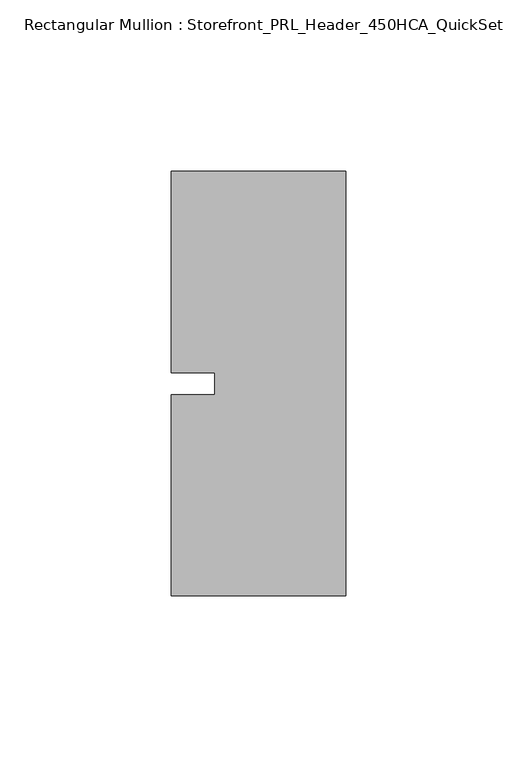
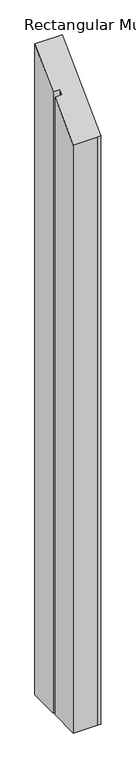
"""IFC4 building model written with IfcOpenShell, lengths in millimetres: member geometry, Rectangular Mullion : Storefront_PRL_Header_450HCA_QuickSet."""

from ifc_helpers import new_model, si_unit, origin, place, context, project, spatial, faceted_brep, source, transform, mapped, element, save


def rectangular_mullion_storefront_prl_header_450hca_quickset_bb877a43(model_context):
    return source(origin(), model_context, "Body", "Brep", [
        faceted_brep([(-38.1, -3.175, -1219.2), (-38.1, 3.175, -1219.2), (-50.8, 3.175, -1219.2), (-50.8, 61.9125, -1219.2), (-7.7254924, 61.9125, -1219.2), (0.0, 61.9125, -1219.2), (0.0, -61.9125, -1219.2), (-6.35, -61.9125, -1219.2), (-50.8, -61.9125, -1219.2), (-50.8, -3.175, -1219.2), (-50.8, -3.175, -3.175), (-38.1, -3.175, -3.175), (-50.8, -61.9125, -61.9125), (-6.35, -61.9125, -61.9125), (0.0, -61.9125, -61.9125), (0.0, 61.9125, 61.9125), (-7.7254924, 61.9125, 61.9125), (-50.8, 61.9125, 61.9125), (-50.8, 3.175, 3.175), (-38.1, 3.175, 3.175)], [[[0, 1, 2, 3, 4, 5, 6, 7, 8, 9]], [[10, 11, 0, 9]], [[12, 10, 9, 8]], [[13, 12, 8, 7]], [[14, 13, 7, 6]], [[15, 14, 6, 5]], [[16, 15, 5, 4]], [[17, 16, 4, 3]], [[18, 17, 3, 2]], [[19, 18, 2, 1]], [[11, 19, 1, 0]], [[11, 10, 12, 13, 14, 15, 16, 17, 18, 19]]]),
    ])


if __name__ == "__main__":
    model = new_model("IFC4")
    model_context = context("Model", 3, world=origin())
    ifc_project = project(units=[si_unit("LENGTHUNIT", "METRE", prefix="MILLI")], contexts=[model_context])
    site = spatial("IfcSite", under=ifc_project)
    building = spatial("IfcBuilding", under=site)
    placement = place(None, origin())
    rectangular_mullion_storefront_prl_header_450hca_quickset_shape = rectangular_mullion_storefront_prl_header_450hca_quickset_bb877a43(model_context)
    element("IfcMember", 1, ObjectType="Rectangular Mullion : Storefront_PRL_Header_450HCA_QuickSet", at=placement, inside=building, context=model_context, shape_type="MappedRepresentation", body=[
        mapped(rectangular_mullion_storefront_prl_header_450hca_quickset_shape, transform((0.0, 0.0, 0.0), x_axis=(1.0, 0.0, 0.0), y_axis=(0.0, 1.0, 0.0), z_axis=(0.0, 0.0, 1.0))),
    ])
    save(model, "model.ifc")
